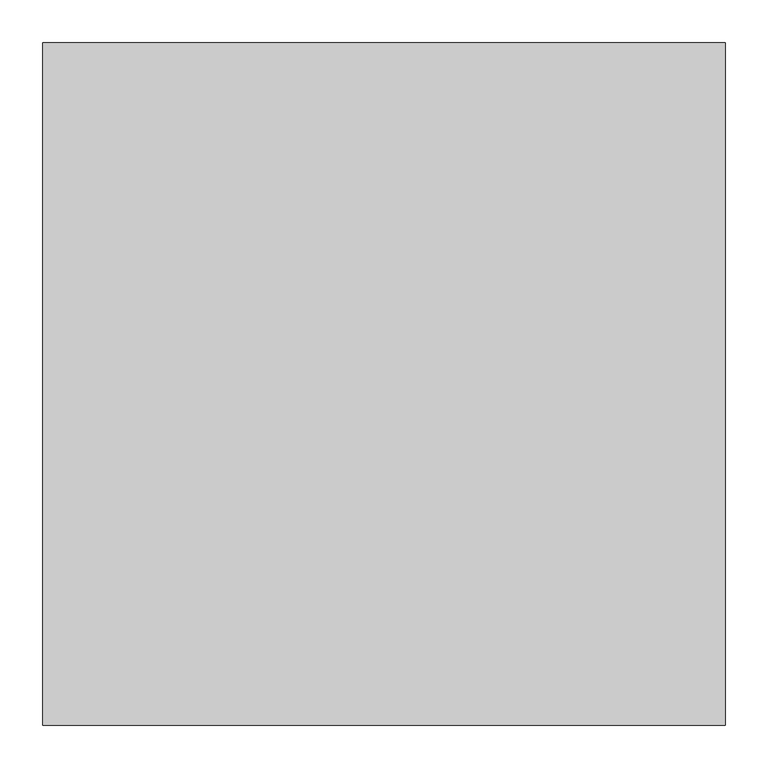
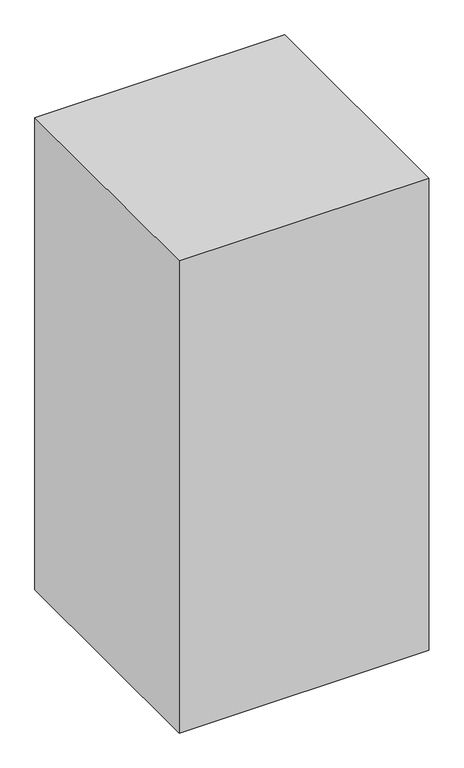
"""IFC4 building model written with IfcOpenShell, lengths in millimetres: proxy geometry."""

import ifcopenshell
import ifcopenshell.guid

model = None  # the IFC model being written
_history = None  # IfcOwnerHistory: only IFC2X3 demands one
_inside = {}  # id of a spatial element -> (the spatial element, [elements in it])
_under = {}  # id of a project, library or spatial element -> (it, [spatial elements below it])
_declared = {}  # id of a project -> (the project, [libraries it declares])
_typed = {}  # id of a type object -> (the type object, [elements of that type])
_made_of = {}  # id of a material, layer set ... -> (it, [elements and type objects made of it])


def new_model(schema):
    """Start an empty IFC model of exactly this schema.

    Asked for "IFC4X3", IfcOpenShell would pick the latest addendum, in which some entities
    have other attributes; the version numbers below select the first issue.
    IFC2X3 requires an IfcOwnerHistory on every rooted entity: one is made here for all.
    """
    global model, _history
    if schema == "IFC4X3":
        model = ifcopenshell.file(schema_version=(4, 3, 0, 0))
    else:
        model = ifcopenshell.file(schema=schema)
    _inside.clear()
    _under.clear()
    _declared.clear()
    _typed.clear()
    _made_of.clear()
    _history = None
    if model.schema == "IFC2X3":
        org = make("IfcOrganization", Name="unknown")
        user = make(
            "IfcPersonAndOrganization",
            ThePerson=make("IfcPerson", FamilyName="unknown"),
            TheOrganization=org,
        )
        app = make(
            "IfcApplication",
            ApplicationDeveloper=org,
            Version="unknown",
            ApplicationFullName="unknown",
            ApplicationIdentifier="unknown",
        )
        _history = make(
            "IfcOwnerHistory",
            OwningUser=user,
            OwningApplication=app,
            ChangeAction="ADDED",
            CreationDate=0,
        )
    return model


def make(cls, **values):
    """One entity of the class cls with the attributes given. An attribute that is None is left unset."""
    return model.create_entity(
        cls, **{name: value for name, value in values.items() if value is not None}
    )


def rooted(cls, **values):
    """An entity with a GlobalId (a new one), such as an element, a storey or a relation."""
    return make(cls, GlobalId=ifcopenshell.guid.new(), OwnerHistory=_history, **values)


def si_unit(unit_type, name, prefix=None):
    """IfcSIUnit, for example si_unit("LENGTHUNIT", "METRE", prefix="MILLI")."""
    return make("IfcSIUnit", UnitType=unit_type, Prefix=prefix, Name=name)


def assignment(units):
    """IfcUnitAssignment: the units of a project."""
    return None if units is None else make("IfcUnitAssignment", Units=units)


def point(xyz):
    """IfcCartesianPoint."""
    return None if xyz is None else make("IfcCartesianPoint", Coordinates=xyz)


def direction(xyz):
    """IfcDirection."""
    return None if xyz is None else make("IfcDirection", DirectionRatios=xyz)


def frame(location, z_axis=None, x_axis=None):
    """IfcAxis2Placement3D, a coordinate frame: its origin and axes. An axis left out is left unset."""
    return make(
        "IfcAxis2Placement3D",
        Location=point(location),
        Axis=direction(z_axis),
        RefDirection=direction(x_axis),
    )


def origin():
    """The frame at (0, 0, 0) with its axes left unset."""
    return frame((0.0, 0.0, 0.0))


def place(relative_to, where):
    """IfcLocalPlacement: puts the frame where relative to a parent placement (None: the world)."""
    return make(
        "IfcLocalPlacement", PlacementRelTo=relative_to, RelativePlacement=where
    )


def context(
    kind, dimensions, precision=None, world=None, true_north=None, identifier=None
):
    """IfcGeometricRepresentationContext, for example the 3D "Model" context."""
    return make(
        "IfcGeometricRepresentationContext",
        ContextIdentifier=identifier,
        ContextType=kind,
        CoordinateSpaceDimension=dimensions,
        Precision=precision,
        WorldCoordinateSystem=world,
        TrueNorth=true_north,
    )


def project(units=None, contexts=None):
    """IfcProject with its units and contexts."""
    return rooted(
        "IfcProject",
        Name="project",
        RepresentationContexts=contexts,
        UnitsInContext=assignment(units),
    )


def spatial(cls, under=None, at=None, **own):
    """A site, building, storey or space (cls), placed at a placement, below another one or the project."""
    s = rooted(cls, ObjectPlacement=at, **own)
    if under is not None:
        _under.setdefault(under.id(), (under, []))[1].append(s)
    return s


def polyline(points):
    """IfcPolyline through the points."""
    return make("IfcPolyline", Points=[point(p) for p in points])


def outline(outer, holes=None, kind="AREA"):
    """IfcArbitraryClosedProfileDef: a profile drawn as a closed curve; with holes, ...WithVoids."""
    if holes is None:
        return make("IfcArbitraryClosedProfileDef", ProfileType=kind, OuterCurve=outer)
    return make(
        "IfcArbitraryProfileDefWithVoids",
        ProfileType=kind,
        OuterCurve=outer,
        InnerCurves=holes,
    )


def extrude(swept, where, along, depth):
    """IfcExtrudedAreaSolid: the profile swept, set in the frame where, extruded along a direction by depth."""
    return make(
        "IfcExtrudedAreaSolid",
        SweptArea=swept,
        Position=where,
        ExtrudedDirection=direction(along),
        Depth=depth,
    )


def shape(context_of_items, identifier, shape_type, items):
    """IfcShapeRepresentation: the items that make up one representation, for example the "Body"."""
    return make(
        "IfcShapeRepresentation",
        ContextOfItems=context_of_items,
        RepresentationIdentifier=identifier,
        RepresentationType=shape_type,
        Items=items,
    )


def source(mapping_origin, context_of_items, identifier, shape_type, items):
    """IfcRepresentationMap: a shape defined once, which mapped items show again and again."""
    return make(
        "IfcRepresentationMap",
        MappingOrigin=mapping_origin,
        MappedRepresentation=shape(context_of_items, identifier, shape_type, items),
    )


def transform(
    local_origin,
    x_axis=None,
    y_axis=None,
    z_axis=None,
    scale=None,
    scale2=None,
    scale3=None,
    uniform=True,
):
    """IfcCartesianTransformationOperator3D, or its non-uniform kind. x_axis, y_axis, z_axis: its Axis1, 2, 3."""
    if uniform:
        return make(
            "IfcCartesianTransformationOperator3D",
            Axis1=direction(x_axis),
            Axis2=direction(y_axis),
            LocalOrigin=point(local_origin),
            Scale=scale,
            Axis3=direction(z_axis),
        )
    return make(
        "IfcCartesianTransformationOperator3DnonUniform",
        Axis1=direction(x_axis),
        Axis2=direction(y_axis),
        LocalOrigin=point(local_origin),
        Scale=scale,
        Axis3=direction(z_axis),
        Scale2=scale2,
        Scale3=scale3,
    )


def mapped(mapping_source, mapping_target):
    """IfcMappedItem: shows the shape of a source again, moved by a transform."""
    return make(
        "IfcMappedItem", MappingSource=mapping_source, MappingTarget=mapping_target
    )


def made_of(thing, what):
    """Note that an element or type object is made of a material, layer set ...; save() writes the relation."""
    if what is not None:
        _made_of.setdefault(what.id(), (what, []))[1].append(thing)
    return thing


def element(
    cls,
    number,
    at=None,
    inside=None,
    cuts=None,
    type_object=None,
    material=None,
    context=None,
    identifier="Body",
    shape_type=None,
    held_by="IfcProductDefinitionShape",
    body=None,
    shapes=None,
    **own,
):
    """One element of the class cls, such as IfcWall. Its Tag is "e" and its number.

    at: its placement. inside: the storey or other place that contains it. cuts: it is an
    opening in that element (IfcRelVoidsElement). A single representation is given by context,
    identifier, shape_type and body (its items); several are given by shapes. held_by: the class
    of the entity that holds the representations. save() writes the other relations.
    """
    e = rooted(cls, Tag="e%d" % number, ObjectPlacement=at, **own)
    if body is not None:
        shapes = [shape(context, identifier, shape_type, body)]
    if shapes is not None:
        e.Representation = make(held_by, Representations=shapes)
    if inside is not None:
        _inside.setdefault(inside.id(), (inside, []))[1].append(e)
    if cuts is not None:
        rooted(
            "IfcRelVoidsElement", RelatingBuildingElement=cuts, RelatedOpeningElement=e
        )
    if type_object is not None:
        _typed.setdefault(type_object.id(), (type_object, []))[1].append(e)
    return made_of(e, material)


def aggregate(whole, parts):
    """IfcRelAggregates: a whole, such as a stair, and the parts it consists of."""
    return rooted("IfcRelAggregates", RelatingObject=whole, RelatedObjects=parts)


def save(model, path):
    """Write the relations noted so far, then the file.

    IfcRelAggregates (storeys below a building ...), IfcRelContainedInSpatialStructure (elements
    in a storey), IfcRelDefinesByType, IfcRelAssociatesMaterial and IfcRelDeclares: one each for
    every whole, place, type object, material and project.
    """
    for whole, parts in _under.values():
        aggregate(whole, parts)
    for where, things in _inside.values():
        rooted(
            "IfcRelContainedInSpatialStructure",
            RelatedElements=things,
            RelatingStructure=where,
        )
    for kind, things in _typed.values():
        rooted("IfcRelDefinesByType", RelatedObjects=things, RelatingType=kind)
    for what, things in _made_of.values():
        rooted("IfcRelAssociatesMaterial", RelatedObjects=things, RelatingMaterial=what)
    for by, libraries in _declared.values():
        rooted("IfcRelDeclares", RelatingContext=by, RelatedDefinitions=libraries)
    model.write(path)


def generic_models_d8d00534(model_context):
    return source(origin(), model_context, "Body", "SweptSolid", [
        extrude(outline(polyline([(800.0, 800.0), (800.0, 0.0), (0.0, 0.0), (0.0, 800.0), (800.0, 800.0)])), frame((0.0, 0.0, 5200.0), z_axis=(0.0, 0.0, 1.0), x_axis=(1.0, 0.0, 0.0)), (0.0, 0.0, 1.0), 1600.0),
    ])


if __name__ == "__main__":
    model = new_model("IFC4")
    model_context = context("Model", 3, world=origin())
    ifc_project = project(units=[si_unit("LENGTHUNIT", "METRE", prefix="MILLI")], contexts=[model_context])
    site = spatial("IfcSite", under=ifc_project)
    building = spatial("IfcBuilding", under=site)
    placement = place(None, origin())
    generic_models_shape = generic_models_d8d00534(model_context)
    element("IfcBuildingElementProxy", 1, Name="Generic Models", at=placement, inside=building, context=model_context, shape_type="MappedRepresentation", body=[
        mapped(generic_models_shape, transform((0.0, 0.0, 0.0), x_axis=(1.0, 0.0, 0.0), y_axis=(0.0, 1.0, 0.0), z_axis=(0.0, 0.0, 1.0))),
    ])
    save(model, "model.ifc")
